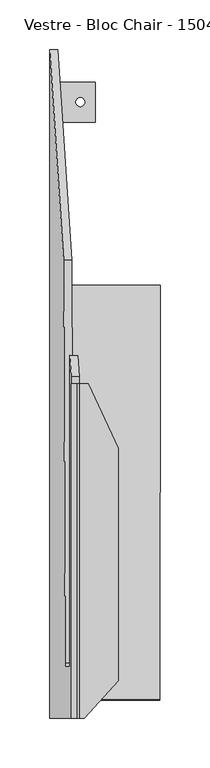
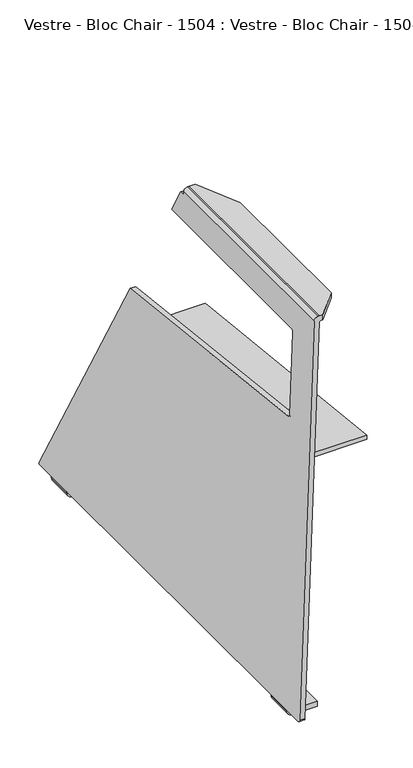
"""IFC4 building model written with IfcOpenShell, lengths in millimetres: furniture geometry, Vestre - Bloc Chair - 1504 : Vestre - Bloc Chair - 1504."""

from ifc_helpers import new_model, si_unit, frame, origin, place, context, project, spatial, polyline, circle_curve, ellipse_curve, source, transform, mapped, element, save
from ifc_brep_helpers import plane_surface, cylinder_surface, revolved_surface, advanced_brep


def vestre_bloc_chair_1504_vestre_bloc_chair_1504_490303bb(model_context):
    return source(origin(), model_context, "Body", "AdvancedBrep", [
        advanced_brep(
        [(-348.1869815, 336.0793859, 11.3539925), (-348.2247269, 333.3438949, 10.2731042), (-348.2247269, 303.3438949, 10.2731042), (-348.2247269, 263.3438949, 10.2731042), (-348.2247269, -263.3438949, 10.2731042), (-348.2247269, -303.3438949, 10.2731042), (-348.2247269, -332.3224978, 10.2731042), (-348.0851289, -336.3224978, 14.2706676), (-326.4226034, -336.3224978, 634.6042367), (-326.4226034, 0.0, 634.6042367), (-326.5895233, 0.0, 629.8242748), (-326.5895233, 7.626776, 629.8242748), (-327.9632973, 28.5190326, 590.4845362), (-327.9753921, -280.671368, 590.1381847), (-328.115075, -284.6668873, 586.1381898), (-332.5898892, -284.6669706, 457.9962761), (-332.7287418, -281.1025506, 454.0200604), (-334.2807111, 124.5938136, 409.5774734), (-340.0900023, -336.3224978, 13.9914716), (-340.2296003, -332.3224978, 9.9939083), (-340.2296003, -303.3438949, 9.9939083), (-340.2618144, -303.3438949, 9.0714168), (-340.2618144, -263.3438949, 9.0714168), (-340.2296003, -263.3438949, 9.9939083), (-340.2296003, 263.3438949, 9.9939083), (-340.2618144, 263.3438949, 9.0714168), (-340.2618144, 303.3438949, 9.0714168), (-340.2296003, 303.3438949, 9.9939083), (-340.2296003, 333.3438949, 9.9939083), (-340.1918549, 336.0793859, 11.0747965), (-326.2752325, 124.4363813, 409.5947195), (-324.7238654, -281.1025506, 454.0200604), (-324.5850129, -284.6669706, 457.9962761), (-320.1101987, -284.6668873, 586.1381898), (-319.9705158, -280.671368, 590.1381847), (-319.9584267, 28.3708474, 590.4843702), (-318.5943967, 7.626776, 629.5450788), (-318.5943967, 0.0, 629.5450788), (-318.5509749, 0.0, 630.7885173), (-318.5509749, -336.3224978, 630.7885173), (-326.3736201, -318.3161079, 406.7772656), (-326.1653282, -317.6657271, 412.7419672), (-327.7541377, 99.4098048, 367.2444166), (-327.9624296, 98.759424, 361.279715), (-317.0497513, -336.3224978, 632.2382321), (-313.3677451, -336.3224978, 632.2382321), (-313.3677451, -336.3224978, 640.3596516), (-318.2167435, -336.3224978, 640.3596516), (-320.4626968, -336.3224978, 640.3596516), (-237.6065921, -318.4420999, 406.7777254), (-237.6056994, -317.7914247, 412.742426), (-237.0134895, 99.2810115, 367.2448867), (-237.0143821, 98.6303364, 361.2801861), (-339.2271593, -303.3438949, 8.0), (-348.2247269, -303.3438949, 8.2703475), (-340.2871278, -303.3438949, 0.0), (-302.5834716, -303.3438949, 0.0), (-302.5834716, -303.3438949, 8.0), (-339.2271593, -263.3438949, 8.0), (-302.5834716, -263.3438949, 8.0), (-302.5834716, -263.3438949, 0.0), (-340.2871278, -263.3438949, 0.0), (-348.2247269, -263.3438949, 8.2703475), (-321.9161822, -283.459021, 0.0), (-313.0057068, -283.459021, 0.0), (-313.0057068, -283.459021, 8.0), (-321.9161822, -283.459021, 8.0), (-321.9161822, 283.459021, 8.0), (-321.9161822, 283.459021, 0.0), (-313.0057068, 283.459021, 0.0), (-313.0057068, 283.459021, 8.0), (-339.2271593, 303.3438949, 8.0), (-302.5834716, 303.3438949, 8.0), (-302.5834716, 303.3438949, 0.0), (-340.2871278, 303.3438949, 0.0), (-348.2247269, 303.3438949, 8.2703475), (-339.2271593, 263.3438949, 8.0), (-348.2247269, 263.3438949, 8.2703475), (-340.2871278, 263.3438949, 0.0), (-302.5834716, 263.3438949, 0.0), (-302.5834716, 263.3438949, 8.0), (-320.4626968, 0.0, 640.3596516), (-318.2167435, 0.0, 640.3596516), (-309.4108927, 0.0, 640.3596516), (-309.4108927, 0.0, 632.2382321), (-317.0497513, 0.0, 632.2382321), (-279.4135288, -64.9029098, 632.2382321), (-279.4135288, -298.6125202, 632.2382321), (-279.4135288, -64.9029098, 640.3596516), (-279.4135288, -298.6125202, 640.3596516)],
        [
            (0, 1, circle_curve(frame((-348.0851244, 333.3438949, 14.2707962), z_axis=(-0.9993908270190959, 0.0, 0.0348994967025008), x_axis=(-0.0348994967025008, 0.0, -0.9993908270190959)), 4.0001287)),
            (1, 2),
            (2, 3),
            (3, 4),
            (4, 5),
            (5, 6),
            (6, 7, circle_curve(frame((-348.0851289, -332.3224978, 14.2706676), z_axis=(-0.9993908270190959, 0.0, 0.0348994967025008), x_axis=(-0.0348994967025008, 0.0, -0.9993908270190959)), 4.0)),
            (7, 8),
            (8, 9),
            (9, 10),
            (10, 11),
            (11, 12),
            (12, 13),
            (13, 14, ellipse_curve(frame((-328.1150751, -280.6668873, 586.1381872), z_axis=(0.9993908270190959, 0.0, -0.0348994967025008), x_axis=(0.03489949670249232, 0.0, 0.9993908270190961)), 4.0024382, 4.0)),
            (14, 15),
            (15, 16, ellipse_curve(frame((-332.5898893, -280.6669706, 457.9962735), z_axis=(0.9993908270190959, 0.0, -0.0348994967025008), x_axis=(0.03489949670249232, 0.0, 0.9993908270190961)), 4.0024382, 4.0)),
            (16, 17),
            (17, 0),
            (18, 19, circle_curve(frame((-340.0900023, -332.3224978, 13.9914716), z_axis=(0.9993908270190959, 0.0, -0.0348994967025008), x_axis=(-0.0348994967025008, 0.0, -0.9993908270190959)), 4.0)),
            (19, 20),
            (20, 21),
            (21, 22),
            (22, 23),
            (23, 24),
            (24, 25),
            (25, 26),
            (26, 27),
            (27, 28),
            (28, 29, circle_curve(frame((-340.0899978, 333.3438949, 13.9916002), z_axis=(0.9993908270190959, 0.0, -0.0348994967025008), x_axis=(-0.0348994967025008, 0.0, -0.9993908270190959)), 4.0001287)),
            (29, 30),
            (30, 31),
            (31, 32, ellipse_curve(frame((-324.585013, -280.6669706, 457.9962735), z_axis=(-0.9993908270190959, 0.0, 0.0348994967025008), x_axis=(0.03489949670249232, 0.0, 0.9993908270190961)), 4.0024382, 4.0)),
            (32, 33),
            (33, 34, ellipse_curve(frame((-320.1101987, -280.6668873, 586.1381872), z_axis=(-0.9993908270190959, 0.0, 0.0348994967025008), x_axis=(0.03489949670249232, 0.0, 0.9993908270190961)), 4.0024382, 4.0)),
            (34, 35),
            (35, 36),
            (36, 37),
            (37, 38),
            (38, 39),
            (39, 18),
            (40, 41),
            (41, 42),
            (42, 43),
            (43, 40),
            (29, 0),
            (17, 30),
            (11, 36),
            (35, 12),
            (28, 1),
            (27, 2),
            (19, 6),
            (5, 20),
            (23, 4),
            (3, 24),
            (18, 7),
            (39, 44, circle_curve(frame((-317.0497513, -336.3224978, 630.7360934), z_axis=(0.0, 1.0, 0.0), x_axis=(1.0, 0.0, 0.0)), 1.5021387)),
            (44, 45),
            (45, 46),
            (46, 47),
            (47, 48),
            (48, 8, circle_curve(frame((-320.4626968, -336.3224978, 634.3961122), z_axis=(0.0, -1.0, 0.0), x_axis=(1.0, 0.0, 0.0)), 5.9635394)),
            (49, 50),
            (50, 41),
            (40, 49),
            (51, 52),
            (52, 43),
            (42, 51),
            (49, 52),
            (51, 50),
            (53, 21, circle_curve(frame((-339.2271593, -303.3438949, 9.0352858), z_axis=(0.0, 1.0, 0.0), x_axis=(1.0, 0.0, 0.0)), 1.0352858)),
            (5, 54),
            (54, 55, circle_curve(frame((-339.9474049, -303.3438949, 8.2703475), z_axis=(0.0, -1.0, 0.0), x_axis=(1.0, 0.0, 0.0)), 8.277322)),
            (55, 56),
            (56, 57),
            (57, 53),
            (58, 59),
            (59, 60),
            (60, 61),
            (61, 62, circle_curve(frame((-339.9474049, -263.3438949, 8.2703475), z_axis=(0.0, 1.0, 0.0), x_axis=(1.0, 0.0, 0.0)), 8.277322)),
            (62, 4),
            (22, 58, circle_curve(frame((-339.2271593, -263.3438949, 9.0352858), z_axis=(0.0, -1.0, 0.0), x_axis=(1.0, 0.0, 0.0)), 1.0352858)),
            (53, 58),
            (55, 61),
            (60, 56),
            (63, 64, circle_curve(frame((-317.4609445, -283.459021, 0.0), z_axis=(0.0, 0.0, 1.0), x_axis=(1.0, 0.0, 0.0)), 4.4552377)),
            (64, 63, circle_curve(frame((-317.4609445, -283.459021, 0.0), z_axis=(0.0, 0.0, 1.0), x_axis=(1.0, 0.0, 0.0)), 4.4552377)),
            (59, 57),
            (65, 66, circle_curve(frame((-317.4609445, -283.459021, 8.0), z_axis=(0.0, 0.0, -1.0), x_axis=(1.0, 0.0, 0.0)), 4.4552377)),
            (66, 65, circle_curve(frame((-317.4609445, -283.459021, 8.0), z_axis=(0.0, 0.0, -1.0), x_axis=(1.0, 0.0, 0.0)), 4.4552377)),
            (62, 54),
            (65, 64),
            (63, 66),
            (67, 68),
            (68, 69, circle_curve(frame((-317.4609445, 283.459021, 0.0), z_axis=(0.0, 0.0, -1.0), x_axis=(1.0, 0.0, 0.0)), 4.4552377)),
            (69, 70),
            (70, 67, circle_curve(frame((-317.4609445, 283.459021, 8.0), z_axis=(0.0, 0.0, 1.0), x_axis=(1.0, 0.0, 0.0)), 4.4552377)),
            (67, 70, circle_curve(frame((-317.4609445, 283.459021, 8.0), z_axis=(0.0, 0.0, 1.0), x_axis=(1.0, 0.0, 0.0)), 4.4552377)),
            (69, 68, circle_curve(frame((-317.4609445, 283.459021, 0.0), z_axis=(0.0, 0.0, -1.0), x_axis=(1.0, 0.0, 0.0)), 4.4552377)),
            (71, 72),
            (72, 73),
            (73, 74),
            (74, 75, circle_curve(frame((-339.9474049, 303.3438949, 8.2703475), z_axis=(0.0, 1.0, 0.0), x_axis=(1.0, 0.0, 0.0)), 8.277322)),
            (75, 2),
            (26, 71, circle_curve(frame((-339.2271593, 303.3438949, 9.0352858), z_axis=(0.0, -1.0, 0.0), x_axis=(1.0, 0.0, 0.0)), 1.0352858)),
            (76, 25, circle_curve(frame((-339.2271593, 263.3438949, 9.0352858), z_axis=(0.0, 1.0, 0.0), x_axis=(1.0, 0.0, 0.0)), 1.0352858)),
            (3, 77),
            (77, 78, circle_curve(frame((-339.9474049, 263.3438949, 8.2703475), z_axis=(0.0, -1.0, 0.0), x_axis=(1.0, 0.0, 0.0)), 8.277322)),
            (78, 79),
            (79, 80),
            (80, 76),
            (76, 71),
            (73, 79),
            (78, 74),
            (72, 80),
            (75, 77),
            (10, 37),
            (34, 13),
            (33, 14),
            (32, 15),
            (31, 16),
            (9, 81, circle_curve(frame((-320.4626968, 0.0, 634.3961122), z_axis=(0.0, 1.0, 0.0), x_axis=(1.0, 0.0, 0.0)), 5.9635394)),
            (81, 82),
            (82, 83),
            (83, 84),
            (84, 85),
            (85, 38, circle_curve(frame((-317.0497513, 0.0, 630.7360934), z_axis=(0.0, -1.0, 0.0), x_axis=(1.0, 0.0, 0.0)), 1.5021387)),
            (44, 85),
            (84, 86),
            (86, 87),
            (87, 45),
            (86, 88),
            (88, 89),
            (89, 87),
            (82, 47),
            (46, 89),
            (88, 83),
            (81, 48),
        ],
        [
            plane_surface(frame((-326.5895233, 7.626776, 629.8242748), z_axis=(-0.9993908270190959, 0.0, 0.0348994967025008), x_axis=(0.0, 1.0, 0.0))),
            plane_surface(frame((-318.5943967, 7.626776, 629.5450788), z_axis=(0.9993908270190959, 0.0, -0.0348994967025008), x_axis=(0.0, -1.0, 0.0))),
            plane_surface(frame((-326.5895233, 7.626776, 629.8242748), z_axis=(0.016361236819831464, 0.883298976901068, 0.46852452159439034), x_axis=(0.9993908270190955, 0.0, -0.034899496702506035))),
            cylinder_surface(frame((-340.0899978, 333.3438949, 13.9916002), z_axis=(-0.9993908270190961, 0.0, 0.03489949670250081), x_axis=(-0.0348994967025008, 0.0, -0.9993908270190959)), 4.0001287),
            plane_surface(frame((-348.2247269, 333.3438949, 10.2731042), z_axis=(-0.03489949670248914, 0.0, -0.9993908270190962), x_axis=(0.9993908270190962, 0.0, -0.03489949670248914))),
            cylinder_surface(frame((-340.0900023, -332.3224978, 13.9914716), z_axis=(-0.9993908270190959, 0.0, 0.0348994967025008), x_axis=(-0.0348994967025008, 0.0, -0.9993908270190959)), 4.0),
            plane_surface(frame((-348.0851289, -336.3224978, 14.2706676), z_axis=(0.0, -1.0, 0.0), x_axis=(0.9993908270190955, 0.0, -0.034899496702506035))),
            plane_surface(frame((-237.6065921, -318.4420999, 406.7777254), z_axis=(-0.0014115456839146497, -0.9941015130831307, 0.10844440614717041), x_axis=(0.00014877148067670882, 0.10844430422337907, 0.9941025152108578))),
            plane_surface(frame((-237.0143821, 98.6303364, 361.2801861), z_axis=(0.0014115456839146497, 0.9941015130831307, -0.10844440614717041), x_axis=(-0.00014877148067670882, -0.10844430422337907, -0.9941025152108578))),
            plane_surface(frame((-237.6065921, -318.4420999, 406.7777254), z_axis=(0.9999989927024071, -0.001419354549588217, 5.180135527305281e-06), x_axis=(0.0014115456839146623, 0.9941015130831308, -0.10844440614717038))),
            plane_surface(frame((-237.6056994, -317.7914247, 412.742426), z_axis=(0.00014877148050612476, 0.1084443042233793, 0.9941025152108581), x_axis=(0.0014115456839146623, 0.9941015130831308, -0.10844440614717038))),
            plane_surface(frame((-329.6214499, -318.311498, 406.7772488), z_axis=(-0.00014877148050782823, -0.10844430422337943, -0.9941025152108579), x_axis=(0.0014115456839145814, 0.9941015130831307, -0.10844440614717052))),
            plane_surface(frame((-338.1918735, -303.3438949, 9.0352858), z_axis=(0.0, -1.0, 0.0), x_axis=(0.0, 0.0, -1.0))),
            plane_surface(frame((-338.1918735, -263.3438949, 9.0352858), z_axis=(0.0, 1.0, 0.0), x_axis=(0.0, 0.0, 1.0))),
            revolved_surface(polyline([(-338.1918735, -263.3438949, 9.0352858), (-338.1918735, -303.3438949, 9.0352858)]), (-339.2271593, -263.3438949, 9.0352858), (0.0, 1.0, 0.0)),
            plane_surface(frame((-340.2871278, -303.3438949, 0.0), z_axis=(0.0, 0.0, -1.0), x_axis=(0.0, 1.0, 0.0))),
            plane_surface(frame((-302.5834716, -303.3438949, 0.0), z_axis=(1.0, 0.0, 0.0), x_axis=(0.0, 1.0, 0.0))),
            plane_surface(frame((-302.5834716, -303.3438949, 8.0), z_axis=(0.0, 0.0, 1.0), x_axis=(0.0, 1.0, 0.0))),
            plane_surface(frame((-348.2247269, -303.3438949, 10.2731042), z_axis=(-1.0, 0.0, 0.0), x_axis=(0.0, 1.0, 0.0))),
            cylinder_surface(frame((-339.9474049, -263.3438949, 8.2703475), z_axis=(0.0, -1.0, 0.0), x_axis=(1.0, 0.0, 0.0)), 8.277322),
            revolved_surface(polyline([(-313.0057068, -283.459021, 8.0), (-313.0057068, -283.459021, 0.0)]), (-317.4609445, -283.459021, 0.0), (0.0, 0.0, 1.0)),
            revolved_surface(polyline([(-313.0057068, 283.459021, 8.0), (-313.0057068, 283.459021, 0.0)]), (-317.4609445, 283.459021, 0.0), (0.0, 0.0, 1.0)),
            plane_surface(frame((-302.5834716, 303.3438949, 8.0), z_axis=(0.0, 1.0, 0.0), x_axis=(1.0, 0.0, 0.0))),
            plane_surface(frame((-302.5834716, 263.3438949, 8.0), z_axis=(0.0, -1.0, 0.0), x_axis=(-1.0, 0.0, 0.0))),
            revolved_surface(polyline([(-338.1918735, 263.3438949, 9.0352858), (-338.1918735, 303.3438949, 9.0352858)]), (-339.2271593, 263.3438949, 9.0352858), (0.0, -1.0, 0.0)),
            plane_surface(frame((-302.5834716, 303.3438949, 0.0), z_axis=(0.0, 0.0, -1.0), x_axis=(0.0, -1.0, 0.0))),
            plane_surface(frame((-302.5834716, 303.3438949, 8.0), z_axis=(1.0, 0.0, 0.0), x_axis=(0.0, -1.0, 0.0))),
            plane_surface(frame((-339.2271593, 303.3438949, 8.0), z_axis=(0.0, 0.0, 1.0), x_axis=(0.0, -1.0, 0.0))),
            plane_surface(frame((-348.2247269, 303.3438949, 8.2703475), z_axis=(-1.0, 0.0, 0.0), x_axis=(0.0, -1.0, 0.0))),
            cylinder_surface(frame((-339.9474049, 263.3438949, 8.2703475), z_axis=(0.0, 1.0, 0.0), x_axis=(1.0, 0.0, 0.0)), 8.277322),
            plane_surface(frame((-326.5895233, -336.3224978, 629.8242748), z_axis=(0.034899496702506035, 0.0, 0.9993908270190955), x_axis=(0.9993908270190955, 0.0, -0.034899496702506035))),
            plane_surface(frame((-289.9149842, 174.5518534, 590.6481205), z_axis=(0.0, 0.0011201877232388624, -0.9999993725895355), x_axis=(-1.0, 0.0, 0.0))),
            revolved_surface(polyline([(-319.97051562123715, -284.6668873, 586.1381872), (-328.2547581787628, -284.6668873, 586.1381872)]), (-344.213351, -280.6668873, 586.1381872), (1.0, 0.0, 0.0)),
            plane_surface(frame((-289.9149842, -284.6668873, 586.1381898), z_axis=(0.0, 0.9999999999997885, -6.504329964730784e-07), x_axis=(-1.0, 0.0, 0.0))),
            revolved_surface(polyline([(-324.4453299212372, -284.6669706, 457.9962735), (-332.7295723787628, -284.6669706, 457.9962735)]), (-344.213351, -280.6669706, 457.9962735), (1.0, 0.0, 0.0)),
            plane_surface(frame((-289.9149842, -281.1025506, 454.0200604), z_axis=(0.0, 0.10889498268372885, 0.9940532595119391), x_axis=(-1.0, 0.0, 0.0))),
            plane_surface(frame((-326.6593723, 0.0, 627.8240627), z_axis=(0.0, 1.0, 0.0), x_axis=(0.03489949670250121, 0.0, 0.9993908270190958))),
            plane_surface(frame((-317.0497513, -336.3224978, 632.2382321), z_axis=(0.0, 0.0, -1.0), x_axis=(0.0, 1.0, 0.0))),
            plane_surface(frame((-279.4135288, -336.3224978, 632.2382321), z_axis=(1.0, 0.0, 0.0), x_axis=(0.0, 1.0, 0.0))),
            plane_surface(frame((-279.4135288, -336.3224978, 640.3596516), z_axis=(0.0, 0.0, 1.0), x_axis=(0.0, 1.0, 0.0))),
            plane_surface(frame((-318.2167435, -336.3224978, 640.3596516), z_axis=(0.0, 0.0, 1.0), x_axis=(0.0, 1.0, 0.0))),
            cylinder_surface(frame((-320.4626968, 0.0, 634.3961122), z_axis=(0.0, -1.0, 0.0), x_axis=(1.0, 0.0, 0.0)), 5.9635394),
            revolved_surface(polyline([(-315.54761260000004, 0.0, 630.7360934), (-315.54761260000004, -336.3224978, 630.7360934)]), (-317.0497513, 0.0, 630.7360934), (0.0, 1.0, 0.0)),
            plane_surface(frame((-279.4149711, -64.8997891, 616.5713791), z_axis=(0.9077348201474655, 0.4195443913245037, 0.0), x_axis=(0.0, 0.0, 1.0))),
            plane_surface(frame((-313.3677451, -336.3224978, 616.5713791), z_axis=(0.7431448254773959, -0.6691306063588565, 0.0), x_axis=(0.0, 0.0, 1.0))),
        ],
        [
            (0, [[1, 2, 3, 4, 5, 6, 7, 8, 9, 10, 11, 12, 13, 14, 15, 16, 17, 18]]),
            (1, [[19, 20, 21, 22, 23, 24, 25, 26, 27, 28, 29, 30, 31, 32, 33, 34, 35, 36, 37, 38, 39, 40], [41, 42, 43, 44]]),
            (2, [[45, -18, 46, -30]]),
            (2, [[47, -36, 48, -12]]),
            (3, [[-1, -45, -29, 49]]),
            (4, [[-49, -28, 50, -2]]),
            (4, [[51, -6, 52, -20]]),
            (4, [[53, -4, 54, -24]]),
            (5, [[-7, -51, -19, 55]]),
            (6, [[-55, -40, 56, 57, 58, 59, 60, 61, -8]]),
            (7, [[62, 63, -41, 64]]),
            (8, [[65, 66, -43, 67]]),
            (9, [[-62, 68, -65, 69]]),
            (10, [[-69, -67, -42, -63]]),
            (11, [[-68, -64, -44, -66]]),
            (12, [[70, -21, -52, 71, 72, 73, 74, 75]]),
            (13, [[76, 77, 78, 79, 80, -53, -23, 81]]),
            (14, [[-70, 82, -81, -22]]),
            (15, [[-73, 83, -78, 84], [85, 86]]),
            (16, [[-74, -84, -77, 87]]),
            (17, [[-75, -87, -76, -82], [88, 89]]),
            (18, [[-71, -5, -80, 90]]),
            (19, [[-72, -90, -79, -83]]),
            (20, [[91, -85, 92, -88]]),
            (20, [[-91, -89, -92, -86]]),
            (21, [[93, 94, 95, 96]]),
            (21, [[-93, 97, -95, 98]]),
            (22, [[99, 100, 101, 102, 103, -50, -27, 104]]),
            (23, [[105, -25, -54, 106, 107, 108, 109, 110]]),
            (24, [[-104, -26, -105, 111]]),
            (25, [[-101, 112, -108, 113], [-94, -98]]),
            (26, [[-100, 114, -109, -112]]),
            (27, [[-99, -111, -110, -114], [-96, -97]]),
            (28, [[-103, 115, -106, -3]]),
            (29, [[-102, -113, -107, -115]]),
            (30, [[-47, -11, 116, -37]]),
            (31, [[117, -13, -48, -35]]),
            (32, [[-117, -34, 118, -14]]),
            (33, [[-118, -33, 119, -15]]),
            (34, [[-119, -32, 120, -16]]),
            (35, [[-120, -31, -46, -17]]),
            (36, [[121, 122, 123, 124, 125, 126, -38, -116, -10]]),
            (37, [[127, -125, 128, 129, 130, -57]]),
            (38, [[-129, 131, 132, 133]]),
            (39, [[134, -59, 135, -132, 136, -123]]),
            (40, [[-60, -134, -122, 137]]),
            (41, [[-61, -137, -121, -9]]),
            (42, [[-56, -39, -126, -127]]),
            (43, [[-124, -136, -131, -128]]),
            (44, [[-58, -130, -133, -135]]),
        ],
    ),
    ])


if __name__ == "__main__":
    model = new_model("IFC4")
    model_context = context("Model", 3, world=origin())
    ifc_project = project(units=[si_unit("LENGTHUNIT", "METRE", prefix="MILLI")], contexts=[model_context])
    site = spatial("IfcSite", under=ifc_project)
    building = spatial("IfcBuilding", under=site)
    placement = place(None, origin())
    vestre_bloc_chair_1504_vestre_bloc_chair_1504_shape = vestre_bloc_chair_1504_vestre_bloc_chair_1504_490303bb(model_context)
    element("IfcFurniture", 1, ObjectType="Vestre - Bloc Chair - 1504 : Vestre - Bloc Chair - 1504", at=placement, inside=building, context=model_context, shape_type="MappedRepresentation", body=[
        mapped(vestre_bloc_chair_1504_vestre_bloc_chair_1504_shape, transform((0.0, 0.0, 0.0), x_axis=(1.0, 0.0, 0.0), y_axis=(0.0, 1.0, 0.0), z_axis=(0.0, 0.0, 1.0))),
    ])
    save(model, "model.ifc")
